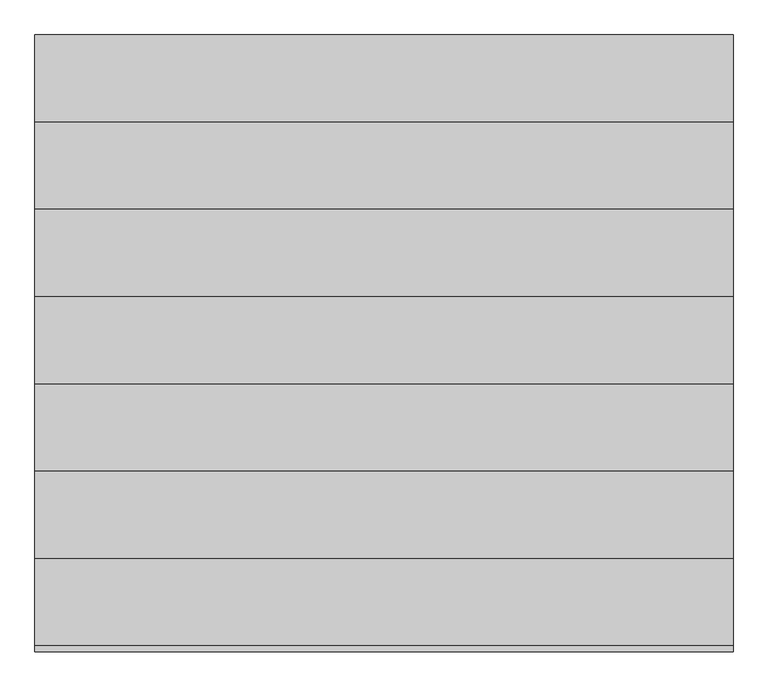
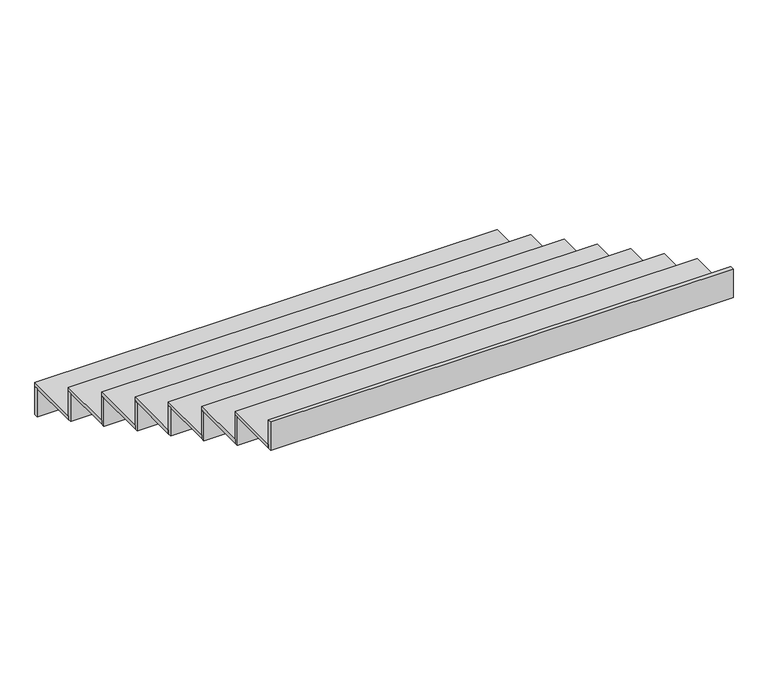
"""IFC4 building model written with IfcOpenShell, lengths in millimetres: stair flight geometry."""

from ifc_helpers import new_model, si_unit, frame, origin, place, context, project, spatial, polyline, outline, extrude, source, transform, mapped, element, save


def stair_flight_c049950e(model_context):
    return source(origin(), model_context, "Body", "SweptSolid", [
        extrude(outline(polyline([(140483.87072, 85585.6888948), (140483.87072, 85605.6888948), (142883.87072, 85605.6888948), (142883.87072, 85585.6888948), (140483.87072, 85585.6888948)])), frame((0.0, 0.0, 8745.215657), z_axis=(0.0, 0.0, 1.0), x_axis=(1.0, 0.0, 0.0)), (0.0, 0.0, 1.0), 155.5958964),
        extrude(outline(polyline([(142883.87072, 85305.6888948), (140483.87072, 85305.6888948), (140483.87072, 85605.6888948), (142883.87072, 85605.6888948), (142883.87072, 85305.6888948)])), frame((0.0, 0.0, 8900.8115534), z_axis=(0.0, 0.0, 1.0), x_axis=(1.0, 0.0, 0.0)), (0.0, 0.0, 1.0), 20.0),
        extrude(outline(polyline([(140483.87072, 85285.6888948), (140483.87072, 85305.6888948), (142883.87072, 85305.6888948), (142883.87072, 85285.6888948), (140483.87072, 85285.6888948)])), frame((0.0, 0.0, 8900.8115534), z_axis=(0.0, 0.0, 1.0), x_axis=(1.0, 0.0, 0.0)), (0.0, 0.0, 1.0), 155.5958964),
        extrude(outline(polyline([(142883.87072, 85005.6888948), (140483.87072, 85005.6888948), (140483.87072, 85305.6888948), (142883.87072, 85305.6888948), (142883.87072, 85005.6888948)])), frame((0.0, 0.0, 9056.4074499), z_axis=(0.0, 0.0, 1.0), x_axis=(1.0, 0.0, 0.0)), (0.0, 0.0, 1.0), 20.0),
        extrude(outline(polyline([(140483.87072, 84985.6888948), (140483.87072, 85005.6888948), (142883.87072, 85005.6888948), (142883.87072, 84985.6888948), (140483.87072, 84985.6888948)])), frame((0.0, 0.0, 9056.4074499), z_axis=(0.0, 0.0, 1.0), x_axis=(1.0, 0.0, 0.0)), (0.0, 0.0, 1.0), 155.5958964),
        extrude(outline(polyline([(142883.87072, 84705.6888948), (140483.87072, 84705.6888948), (140483.87072, 85005.6888948), (142883.87072, 85005.6888948), (142883.87072, 84705.6888948)])), frame((0.0, 0.0, 9212.0033463), z_axis=(0.0, 0.0, 1.0), x_axis=(1.0, 0.0, 0.0)), (0.0, 0.0, 1.0), 20.0),
        extrude(outline(polyline([(140483.87072, 84685.6888948), (140483.87072, 84705.6888948), (142883.87072, 84705.6888948), (142883.87072, 84685.6888948), (140483.87072, 84685.6888948)])), frame((0.0, 0.0, 9212.0033463), z_axis=(0.0, 0.0, 1.0), x_axis=(1.0, 0.0, 0.0)), (0.0, 0.0, 1.0), 155.5958964),
        extrude(outline(polyline([(142883.87072, 84405.6888948), (140483.87072, 84405.6888948), (140483.87072, 84705.6888948), (142883.87072, 84705.6888948), (142883.87072, 84405.6888948)])), frame((0.0, 0.0, 9367.5992427), z_axis=(0.0, 0.0, 1.0), x_axis=(1.0, 0.0, 0.0)), (0.0, 0.0, 1.0), 20.0),
        extrude(outline(polyline([(140483.87072, 84385.6888948), (140483.87072, 84405.6888948), (142883.87072, 84405.6888948), (142883.87072, 84385.6888948), (140483.87072, 84385.6888948)])), frame((0.0, 0.0, 9367.5992427), z_axis=(0.0, 0.0, 1.0), x_axis=(1.0, 0.0, 0.0)), (0.0, 0.0, 1.0), 155.5958964),
        extrude(outline(polyline([(142883.87072, 84105.6888948), (140483.87072, 84105.6888948), (140483.87072, 84405.6888948), (142883.87072, 84405.6888948), (142883.87072, 84105.6888948)])), frame((0.0, 0.0, 9523.1951392), z_axis=(0.0, 0.0, 1.0), x_axis=(1.0, 0.0, 0.0)), (0.0, 0.0, 1.0), 20.0),
        extrude(outline(polyline([(140483.87072, 84085.6888948), (140483.87072, 84105.6888948), (142883.87072, 84105.6888948), (142883.87072, 84085.6888948), (140483.87072, 84085.6888948)])), frame((0.0, 0.0, 9523.1951392), z_axis=(0.0, 0.0, 1.0), x_axis=(1.0, 0.0, 0.0)), (0.0, 0.0, 1.0), 155.5958964),
        extrude(outline(polyline([(142883.87072, 83805.6888948), (140483.87072, 83805.6888948), (140483.87072, 84105.6888948), (142883.87072, 84105.6888948), (142883.87072, 83805.6888948)])), frame((0.0, 0.0, 9678.7910356), z_axis=(0.0, 0.0, 1.0), x_axis=(1.0, 0.0, 0.0)), (0.0, 0.0, 1.0), 20.0),
        extrude(outline(polyline([(140483.87072, 83785.6888948), (140483.87072, 83805.6888948), (142883.87072, 83805.6888948), (142883.87072, 83785.6888948), (140483.87072, 83785.6888948)])), frame((0.0, 0.0, 9678.7910356), z_axis=(0.0, 0.0, 1.0), x_axis=(1.0, 0.0, 0.0)), (0.0, 0.0, 1.0), 155.5958964),
        extrude(outline(polyline([(140483.87072, 83485.6888948), (140483.87072, 83505.6888948), (142883.87072, 83505.6888948), (142883.87072, 83485.6888948), (140483.87072, 83485.6888948)])), frame((0.0, 0.0, 9834.3869321), z_axis=(0.0, 0.0, 1.0), x_axis=(1.0, 0.0, 0.0)), (0.0, 0.0, 1.0), 155.5958964),
        extrude(outline(polyline([(142883.87072, 83505.6888948), (140483.87072, 83505.6888948), (140483.87072, 83805.6888948), (142883.87072, 83805.6888948), (142883.87072, 83505.6888948)])), frame((0.0, 0.0, 9834.3869321), z_axis=(0.0, 0.0, 1.0), x_axis=(1.0, 0.0, 0.0)), (0.0, 0.0, 1.0), 20.0),
    ])


if __name__ == "__main__":
    model = new_model("IFC4")
    model_context = context("Model", 3, world=origin())
    ifc_project = project(units=[si_unit("LENGTHUNIT", "METRE", prefix="MILLI")], contexts=[model_context])
    site = spatial("IfcSite", under=ifc_project)
    building = spatial("IfcBuilding", under=site)
    placement = place(None, origin())
    stair_flight_shape = stair_flight_c049950e(model_context)
    element("IfcStairFlight", 1, at=placement, inside=building, context=model_context, shape_type="MappedRepresentation", body=[
        mapped(stair_flight_shape, transform((0.0, 0.0, 0.0), x_axis=(1.0, 0.0, 0.0), y_axis=(0.0, 1.0, 0.0), z_axis=(0.0, 0.0, 1.0))),
    ])
    save(model, "model.ifc")
